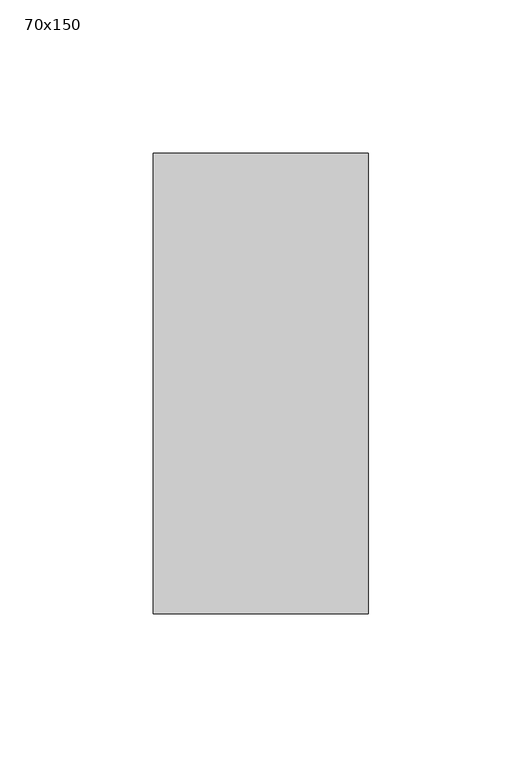
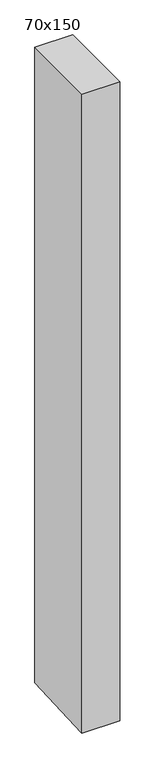
"""IFC4 building model written with IfcOpenShell, lengths in millimetres: member geometry, 70x150."""

from ifc_helpers import new_model, si_unit, frame, origin, place, context, project, spatial, polyline, outline, extrude, source, transform, mapped, element, save


def member_70x150_a1692b94(model_context):
    return source(origin(), model_context, "Body", "SweptSolid", [
        extrude(outline(polyline([(-75.0, 0.0), (75.0, 0.0), (75.0, -1237.2320256), (-75.0, -1244.7468475), (-75.0, 0.0)])), frame((-35.0, 0.0, 0.0), z_axis=(1.0, 0.0, 0.0), x_axis=(0.0, 1.0, 0.0)), (0.0, 0.0, 1.0), 70.0),
    ])


if __name__ == "__main__":
    model = new_model("IFC4")
    model_context = context("Model", 3, world=origin())
    ifc_project = project(units=[si_unit("LENGTHUNIT", "METRE", prefix="MILLI")], contexts=[model_context])
    site = spatial("IfcSite", under=ifc_project)
    building = spatial("IfcBuilding", under=site)
    placement = place(None, origin())
    member_70x150_shape = member_70x150_a1692b94(model_context)
    element("IfcMember", 1, ObjectType="70x150", at=placement, inside=building, context=model_context, shape_type="MappedRepresentation", body=[
        mapped(member_70x150_shape, transform((0.0, 0.0, 0.0), x_axis=(1.0, 0.0, 0.0), y_axis=(0.0, 1.0, 0.0), z_axis=(0.0, 0.0, 1.0))),
    ])
    save(model, "model.ifc")
